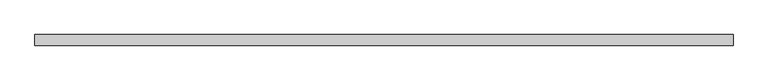
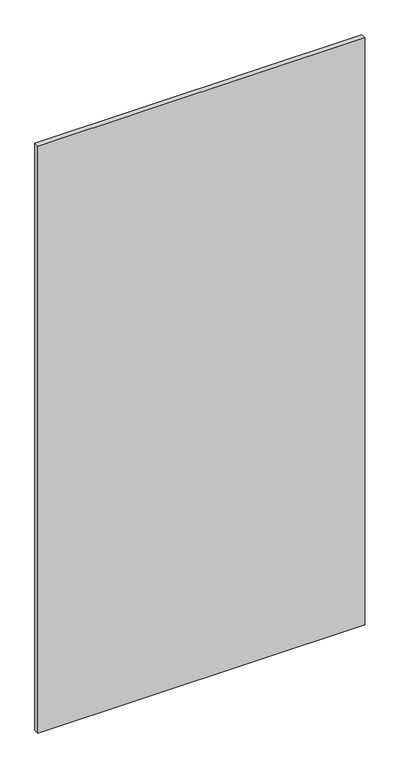
"""IFC4 building model written with IfcOpenShell, lengths in millimetres: plate geometry."""

from ifc_helpers import new_model, si_unit, origin, origin_with_axes, place, context, project, spatial, polyline, outline, extrude, source, transform, mapped, element, save


def plate_1a719a74(model_context):
    return source(origin(), model_context, "Body", "SweptSolid", [
        extrude(outline(polyline([(789.9999998, 24.5), (-789.9999998, 24.5), (-789.9999998, 49.5), (789.9999998, 49.5), (789.9999998, 24.5)])), origin_with_axes(), (0.0, 0.0, 1.0), 3000.0),
    ])


if __name__ == "__main__":
    model = new_model("IFC4")
    model_context = context("Model", 3, world=origin())
    ifc_project = project(units=[si_unit("LENGTHUNIT", "METRE", prefix="MILLI")], contexts=[model_context])
    site = spatial("IfcSite", under=ifc_project)
    building = spatial("IfcBuilding", under=site)
    placement = place(None, origin())
    plate_shape = plate_1a719a74(model_context)
    element("IfcPlate", 1, at=placement, inside=building, context=model_context, shape_type="MappedRepresentation", body=[
        mapped(plate_shape, transform((0.0, 0.0, 0.0), x_axis=(1.0, 0.0, 0.0), y_axis=(0.0, 1.0, 0.0), z_axis=(0.0, 0.0, 1.0))),
    ])
    save(model, "model.ifc")
